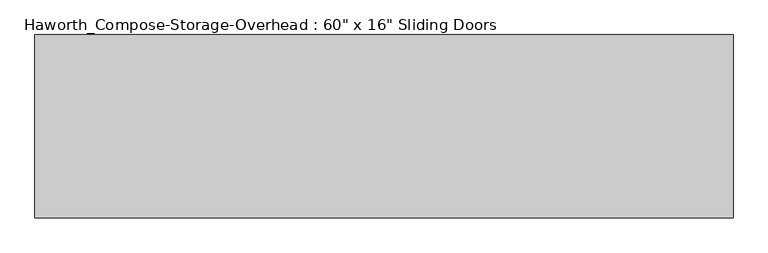
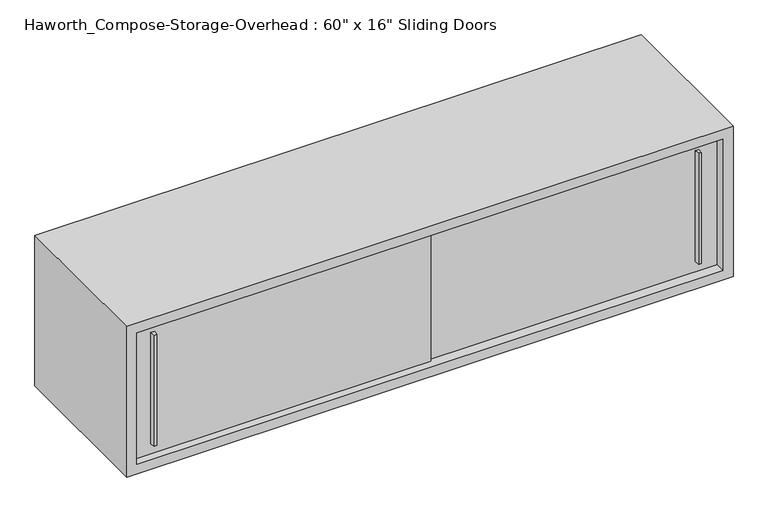
"""IFC4 building model written with IfcOpenShell, lengths in millimetres: furniture geometry."""

from ifc_helpers import new_model, si_unit, frame, origin, place, context, project, spatial, polyline, outline, extrude, source, transform, mapped, element, save


def furniture_08b3d04c(model_context):
    return source(origin(), model_context, "Body", "SweptSolid", [
        extrude(outline(polyline([(854.0750004, -387.3499879), (847.7249996, -387.3499879), (846.1375011, -374.65), (855.6624989, -374.65), (854.0750004, -387.3499879)])), frame((0.0, 0.0, 1322.3875), z_axis=(0.0, 0.0, 1.0), x_axis=(1.0, 0.0, 0.0)), (0.0, 0.0, 1.0), 295.275),
        extrude(outline(polyline([(-517.5249996, -393.6999879), (-523.8750004, -393.6999879), (-525.4624989, -381.0), (-515.9375011, -381.0), (-517.5249996, -393.6999879)])), frame((0.0, 0.0, 1322.3875), z_axis=(0.0, 0.0, 1.0), x_axis=(1.0, 0.0, 0.0)), (0.0, 0.0, 1.0), 295.275),
        extrude(outline(polyline([(-571.5, -374.65), (177.8, -374.65), (177.8, -381.0), (-571.5, -381.0), (-571.5, -374.65)])), frame((0.0, 0.0, 1295.4), z_axis=(0.0, 0.0, 1.0), x_axis=(1.0, 0.0, 0.0)), (0.0, 0.0, 1.0), 349.25),
        extrude(outline(polyline([(152.4, -368.3), (901.7, -368.3), (901.7, -374.65), (152.4, -374.65), (152.4, -368.3)])), frame((0.0, 0.0, 1295.4), z_axis=(0.0, 0.0, 1.0), x_axis=(1.0, 0.0, 0.0)), (0.0, 0.0, 1.0), 349.25),
        extrude(outline(polyline([(901.7, -6.35), (-571.5, -6.35), (-571.5, 0.0), (901.7, 0.0), (901.7, -6.35)])), frame((0.0, 0.0, 1295.4), z_axis=(0.0, 0.0, 1.0), x_axis=(1.0, 0.0, 0.0)), (0.0, 0.0, 1.0), 349.25),
        extrude(outline(polyline([(1270.0, 927.1), (1670.05, 927.1), (1670.05, -596.9), (1270.0, -596.9), (1270.0, 927.1)]), holes=[polyline([(1644.65, 901.7), (1295.4, 901.7), (1295.4, -571.5), (1644.65, -571.5), (1644.65, 901.7)])]), frame((0.0, -400.05, 0.0), z_axis=(0.0, 1.0, 0.0), x_axis=(0.0, 0.0, 1.0)), (0.0, 0.0, 1.0), 400.05),
    ])


if __name__ == "__main__":
    model = new_model("IFC4")
    model_context = context("Model", 3, world=origin())
    ifc_project = project(units=[si_unit("LENGTHUNIT", "METRE", prefix="MILLI")], contexts=[model_context])
    site = spatial("IfcSite", under=ifc_project)
    building = spatial("IfcBuilding", under=site)
    placement = place(None, origin())
    furniture_shape = furniture_08b3d04c(model_context)
    element("IfcFurniture", 1, ObjectType="Haworth_Compose-Storage-Overhead : 60\" x 16\" Sliding Doors", at=placement, inside=building, context=model_context, shape_type="MappedRepresentation", body=[
        mapped(furniture_shape, transform((0.0, 0.0, 0.0), x_axis=(1.0, 0.0, 0.0), y_axis=(0.0, 1.0, 0.0), z_axis=(0.0, 0.0, 1.0))),
    ])
    save(model, "model.ifc")
